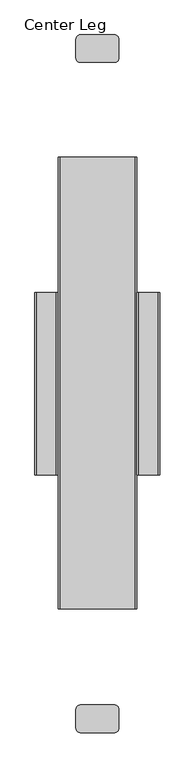
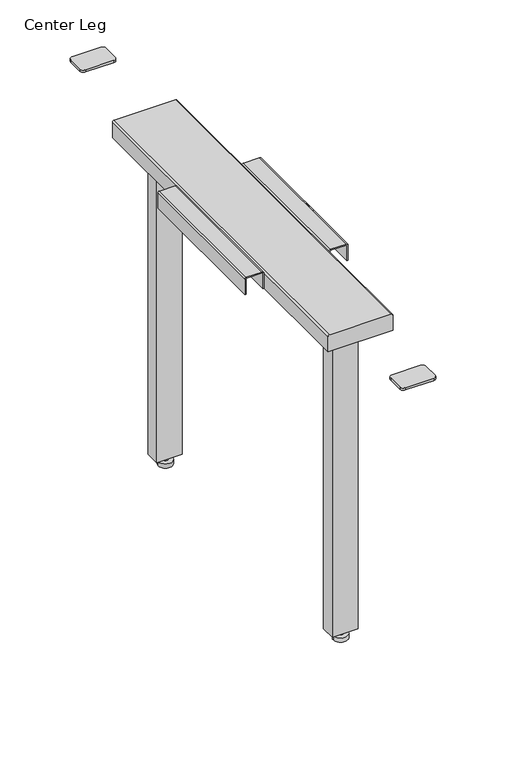
"""IFC4 building model written with IfcOpenShell, lengths in millimetres: furniture geometry, Center Leg."""

from ifc_helpers import new_model, si_unit, point, frame, frame_2d, origin, place, context, project, spatial, polyline, circle_curve, trimmed, segment, composite_curve, outline, extrude, source, transform, mapped, element, save
from ifc_brep_helpers import plane_surface, cylinder_surface, advanced_brep


def center_leg_26d61deb(model_context):
    return source(origin(), model_context, "Body", "SolidModel", [
        advanced_brep(
        [(14.1046216, 274.7629142, 0.0), (-14.3095597, 274.7629142, 0.0), (-0.102469, 274.7629142, 0.0), (14.1046216, 274.7629142, 8.4999997), (-14.3095597, 274.7629142, 8.4999997), (4.9219699, 274.7629142, 8.4999997), (-5.126908, 274.7629142, 8.4999997), (4.9219699, 274.7629142, 16.425781), (-5.126908, 274.7629142, 16.425781), (-0.102469, 274.7629142, 16.425781)],
        [
            (0, 1, circle_curve(frame((-0.102469, 274.7629142, 0.0), z_axis=(0.0, 0.0, -1.0), x_axis=(-1.0, 0.0, 0.0)), 14.2070907)),
            (1, 2),
            (2, 0),
            (1, 0, circle_curve(frame((-0.102469, 274.7629142, 0.0), z_axis=(0.0, 0.0, -1.0), x_axis=(-1.0, 0.0, 0.0)), 14.2070907)),
            (3, 4, circle_curve(frame((-0.102469, 274.7629142, 8.4999997), z_axis=(0.0, 0.0, -1.0), x_axis=(-1.0, 0.0, 0.0)), 14.2070907)),
            (4, 1),
            (0, 3),
            (4, 3, circle_curve(frame((-0.102469, 274.7629142, 8.4999997), z_axis=(0.0, 0.0, -1.0), x_axis=(-1.0, 0.0, 0.0)), 14.2070907)),
            (5, 6, circle_curve(frame((-0.102469, 274.7629142, 8.4999997), z_axis=(0.0, 0.0, -1.0), x_axis=(-1.0, 0.0, 0.0)), 5.024439)),
            (6, 4),
            (3, 5),
            (6, 5, circle_curve(frame((-0.102469, 274.7629142, 8.4999997), z_axis=(0.0, 0.0, -1.0), x_axis=(-1.0, 0.0, 0.0)), 5.024439)),
            (7, 8, circle_curve(frame((-0.102469, 274.7629142, 16.425781), z_axis=(0.0, 0.0, -1.0), x_axis=(-1.0, 0.0, 0.0)), 5.024439)),
            (8, 6),
            (5, 7),
            (8, 7, circle_curve(frame((-0.102469, 274.7629142, 16.425781), z_axis=(0.0, 0.0, -1.0), x_axis=(-1.0, 0.0, 0.0)), 5.024439)),
            (9, 8),
            (7, 9),
        ],
        [
            plane_surface(frame((-0.102469, 274.7629142, 0.0), z_axis=(0.0, 0.0, -1.0), x_axis=(-1.0, 0.0, 0.0))),
            cylinder_surface(frame((-0.102469, 274.7629142, 16.425781), z_axis=(0.0, 0.0, 1.0), x_axis=(-1.0, 0.0, 0.0)), 14.2070907),
            plane_surface(frame((-0.102469, 274.7629142, 8.4999997), z_axis=(0.0, 0.0, 1.0), x_axis=(-1.0, 0.0, 0.0))),
            cylinder_surface(frame((-0.102469, 274.7629142, 16.425781), z_axis=(0.0, 0.0, 1.0), x_axis=(-1.0, 0.0, 0.0)), 5.024439),
            plane_surface(frame((-0.102469, 274.7629142, 16.425781), z_axis=(0.0, 0.0, 1.0), x_axis=(-1.0, 0.0, 0.0))),
        ],
        [
            (0, [[1, 2, 3]]),
            (0, [[4, -3, -2]]),
            (1, [[5, 6, -1, 7]]),
            (1, [[8, -7, -4, -6]]),
            (2, [[9, 10, -5, 11]]),
            (2, [[12, -11, -8, -10]]),
            (3, [[13, 14, -9, 15]]),
            (3, [[16, -15, -12, -14]]),
            (4, [[17, -13, 18]]),
            (4, [[-18, -16, -17]]),
        ],
    ),
        advanced_brep(
        [(-0.102469, -324.7629142, 0.0), (-14.3095597, -324.7629142, 0.0), (14.1046216, -324.7629142, 0.0), (-14.3095597, -324.7629142, 8.4999997), (14.1046216, -324.7629142, 8.4999997), (-5.126908, -324.7629142, 8.4999997), (4.9219699, -324.7629142, 8.4999997), (-5.126908, -324.7629142, 16.425781), (4.9219699, -324.7629142, 16.425781), (-0.102469, -324.7629142, 16.425781)],
        [
            (0, 1),
            (1, 2, circle_curve(frame((-0.102469, -324.7629142, 0.0), z_axis=(0.0, 0.0, -1.0), x_axis=(-1.0, 0.0, 0.0)), 14.2070907)),
            (2, 0),
            (2, 1, circle_curve(frame((-0.102469, -324.7629142, 0.0), z_axis=(0.0, 0.0, -1.0), x_axis=(-1.0, 0.0, 0.0)), 14.2070907)),
            (1, 3),
            (3, 4, circle_curve(frame((-0.102469, -324.7629142, 8.4999997), z_axis=(0.0, 0.0, -1.0), x_axis=(-1.0, 0.0, 0.0)), 14.2070907)),
            (4, 2),
            (4, 3, circle_curve(frame((-0.102469, -324.7629142, 8.4999997), z_axis=(0.0, 0.0, -1.0), x_axis=(-1.0, 0.0, 0.0)), 14.2070907)),
            (3, 5),
            (5, 6, circle_curve(frame((-0.102469, -324.7629142, 8.4999997), z_axis=(0.0, 0.0, -1.0), x_axis=(-1.0, 0.0, 0.0)), 5.024439)),
            (6, 4),
            (6, 5, circle_curve(frame((-0.102469, -324.7629142, 8.4999997), z_axis=(0.0, 0.0, -1.0), x_axis=(-1.0, 0.0, 0.0)), 5.024439)),
            (5, 7),
            (7, 8, circle_curve(frame((-0.102469, -324.7629142, 16.425781), z_axis=(0.0, 0.0, -1.0), x_axis=(-1.0, 0.0, 0.0)), 5.024439)),
            (8, 6),
            (8, 7, circle_curve(frame((-0.102469, -324.7629142, 16.425781), z_axis=(0.0, 0.0, -1.0), x_axis=(-1.0, 0.0, 0.0)), 5.024439)),
            (7, 9),
            (9, 8),
        ],
        [
            plane_surface(frame((-0.102469, -324.7629142, 0.0), z_axis=(0.0, 0.0, -1.0), x_axis=(-1.0, 0.0, 0.0))),
            cylinder_surface(frame((-0.102469, -324.7629142, 16.425781), z_axis=(0.0, 0.0, -1.0), x_axis=(-1.0, 0.0, 0.0)), 14.2070907),
            plane_surface(frame((-0.102469, -324.7629142, 8.4999997), z_axis=(0.0, 0.0, 1.0), x_axis=(-1.0, 0.0, 0.0))),
            cylinder_surface(frame((-0.102469, -324.7629142, 16.425781), z_axis=(0.0, 0.0, -1.0), x_axis=(-1.0, 0.0, 0.0)), 5.024439),
            plane_surface(frame((-0.102469, -324.7629142, 16.425781), z_axis=(0.0, 0.0, 1.0), x_axis=(-1.0, 0.0, 0.0))),
        ],
        [
            (0, [[1, 2, 3]]),
            (0, [[-3, 4, -1]]),
            (1, [[-2, 5, 6, 7]]),
            (1, [[-4, -7, 8, -5]]),
            (2, [[-6, 9, 10, 11]]),
            (2, [[-8, -11, 12, -9]]),
            (3, [[-10, 13, 14, 15]]),
            (3, [[-12, -15, 16, -13]]),
            (4, [[-14, 17, 18]]),
            (4, [[-16, -18, -17]]),
        ],
    ),
        extrude(outline(composite_curve([segment(trimmed(circle_curve(frame_2d((28.0219183, 538.0338494)), 7.0), [point((28.0219183, 545.0338494))], [point((35.0219183, 538.0338494))], False, "CARTESIAN"), True, "CONTINUOUS"), segment(polyline([(35.0219183, 538.0338494), (35.0219183, 507.0338709)]), True, "CONTINUOUS"), segment(trimmed(circle_curve(frame_2d((28.0219183, 507.0338709)), 7.0), [point((35.0219183, 507.0338709))], [point((28.0219183, 500.0338709))], False, "CARTESIAN"), True, "CONTINUOUS"), segment(polyline([(28.0219183, 500.0338709), (-27.9780816, 500.0338709)]), True, "CONTINUOUS"), segment(trimmed(circle_curve(frame_2d((-27.9780816, 507.0338709)), 7.0), [point((-27.9780816, 500.0338709))], [point((-34.9780816, 507.0338709))], False, "CARTESIAN"), True, "CONTINUOUS"), segment(polyline([(-34.9780816, 507.0338709), (-34.9780816, 538.0338494)]), True, "CONTINUOUS"), segment(trimmed(circle_curve(frame_2d((-27.9780816, 538.0338494)), 7.0), [point((-34.9780816, 538.0338494))], [point((-27.9780816, 545.0338494))], False, "CARTESIAN"), True, "CONTINUOUS"), segment(polyline([(-27.9780816, 545.0338494), (28.0219183, 545.0338494)]), True, "CONTINUOUS")], self_intersect=False)), frame((0.0, 0.0, 690.4695046), z_axis=(0.0, 0.0, 1.0), x_axis=(1.0, 0.0, 0.0)), (0.0, 0.0, 1.0), 4.5304954),
        extrude(outline(composite_curve([segment(trimmed(circle_curve(frame_2d((28.0219183, -556.966138)), 7.0), [point((28.0219183, -549.966138))], [point((35.0219183, -556.966138))], False, "CARTESIAN"), True, "CONTINUOUS"), segment(polyline([(35.0219183, -556.966138), (35.0219183, -587.9661166)]), True, "CONTINUOUS"), segment(trimmed(circle_curve(frame_2d((28.0219183, -587.9661166)), 7.0), [point((35.0219183, -587.9661166))], [point((28.0219183, -594.9661166))], False, "CARTESIAN"), True, "CONTINUOUS"), segment(polyline([(28.0219183, -594.9661166), (-27.9780816, -594.9661166)]), True, "CONTINUOUS"), segment(trimmed(circle_curve(frame_2d((-27.9780816, -587.9661166)), 7.0), [point((-27.9780816, -594.9661166))], [point((-34.9780816, -587.9661166))], False, "CARTESIAN"), True, "CONTINUOUS"), segment(polyline([(-34.9780816, -587.9661166), (-34.9780816, -556.966138)]), True, "CONTINUOUS"), segment(trimmed(circle_curve(frame_2d((-27.9780816, -556.966138)), 7.0), [point((-34.9780816, -556.966138))], [point((-27.9780816, -549.966138))], False, "CARTESIAN"), True, "CONTINUOUS"), segment(polyline([(-27.9780816, -549.966138), (28.0219183, -549.966138)]), True, "CONTINUOUS")], self_intersect=False)), frame((0.0, 0.0, 690.4695046), z_axis=(0.0, 0.0, 1.0), x_axis=(1.0, 0.0, 0.0)), (0.0, 0.0, 1.0), 4.5304954),
        extrude(outline(polyline([(25.0258238, -309.9661438), (25.0258238, -340.194639), (-24.7280819, -340.194639), (-24.7280819, -309.9661438), (25.0258238, -309.9661438)])), frame((0.0, 0.0, 18.5008848), z_axis=(0.0, 0.0, 1.0), x_axis=(1.0, 0.0, 0.0)), (0.0, 0.0, 1.0), 641.4990185),
        extrude(outline(polyline([(25.0219178, 290.2643349), (25.0219178, 260.7838669), (-24.9780826, 260.7838669), (-24.9780826, 290.2643349), (25.0219178, 290.2643349)])), frame((0.0, 0.0, 18.5008848), z_axis=(0.0, 0.0, 1.0), x_axis=(1.0, 0.0, 0.0)), (0.0, 0.0, 1.0), 641.4990185),
        extrude(outline(composite_curve([segment(polyline([(659.9995333, -99.9780824), (691.9995539, -99.9780824)]), True, "CONTINUOUS"), segment(trimmed(circle_curve(frame_2d((691.9995539, -98.9780824)), 1.0), [point((691.9995539, -99.9780824))], [point((692.9995539, -98.9780824))], True, "CARTESIAN"), True, "CONTINUOUS"), segment(polyline([(692.9995539, -98.9780824), (692.9995539, -66.978082)]), True, "CONTINUOUS"), segment(trimmed(circle_curve(frame_2d((691.9995539, -66.978082)), 1.0), [point((692.9995539, -66.978082))], [point((691.9995539, -65.978082))], True, "CARTESIAN"), True, "CONTINUOUS"), segment(polyline([(691.9995539, -65.978082), (659.9995333, -65.978082), (659.9995333, -63.9780799), (691.4609094, -63.9780799)]), True, "CONTINUOUS"), segment(trimmed(circle_curve(frame_2d((691.4609094, -67.5171705)), 3.5390906), [point((691.4609094, -63.9780799))], [point((695.0, -67.5171705))], False, "CARTESIAN"), True, "CONTINUOUS"), segment(polyline([(695.0, -67.5171705), (695.0, -99.155619)]), True, "CONTINUOUS"), segment(trimmed(circle_curve(frame_2d((692.1775405, -99.155619)), 2.8224595), [point((695.0, -99.155619))], [point((692.1775405, -101.9780784))], False, "CARTESIAN"), True, "CONTINUOUS"), segment(polyline([(692.1775405, -101.9780784), (659.9995333, -101.9780784), (659.9995333, -99.9780824)]), True, "CONTINUOUS")], self_intersect=False)), frame((0.0, -173.7072561, 0.0), z_axis=(0.0, 1.0, 0.0), x_axis=(0.0, 0.0, 1.0)), (0.0, 0.0, 1.0), 297.4145122),
        extrude(outline(composite_curve([segment(polyline([(659.9995333, 100.0219222), (659.9995333, 102.0219182), (692.1775405, 102.0219182)]), True, "CONTINUOUS"), segment(trimmed(circle_curve(frame_2d((692.1775405, 99.1994587)), 2.8224595), [point((692.1775405, 102.0219182))], [point((695.0, 99.1994587))], False, "CARTESIAN"), True, "CONTINUOUS"), segment(polyline([(695.0, 99.1994587), (695.0, 67.5610102)]), True, "CONTINUOUS"), segment(trimmed(circle_curve(frame_2d((691.4609094, 67.5610102)), 3.5390906), [point((695.0, 67.5610102))], [point((691.4609094, 64.0219196))], False, "CARTESIAN"), True, "CONTINUOUS"), segment(polyline([(691.4609094, 64.0219196), (659.9995333, 64.0219196), (659.9995333, 66.0219217), (691.9995539, 66.0219217)]), True, "CONTINUOUS"), segment(trimmed(circle_curve(frame_2d((691.9995539, 67.0219217)), 1.0), [point((691.9995539, 66.0219217))], [point((692.9995539, 67.0219217))], True, "CARTESIAN"), True, "CONTINUOUS"), segment(polyline([(692.9995539, 67.0219217), (692.9995539, 99.0219222)]), True, "CONTINUOUS"), segment(trimmed(circle_curve(frame_2d((691.9995539, 99.0219222)), 1.0), [point((692.9995539, 99.0219222))], [point((691.9995539, 100.0219222))], True, "CARTESIAN"), True, "CONTINUOUS"), segment(polyline([(691.9995539, 100.0219222), (659.9995333, 100.0219222)]), True, "CONTINUOUS")], self_intersect=False)), frame((0.0, -173.7072561, 0.0), z_axis=(0.0, 1.0, 0.0), x_axis=(0.0, 0.0, 1.0)), (0.0, 0.0, 1.0), 297.4145122),
        extrude(outline(composite_curve([segment(polyline([(695.0, 60.6673423), (695.0, -60.6673423)]), True, "CONTINUOUS"), segment(trimmed(circle_curve(frame_2d((691.6892624, -60.6673423)), 3.3107376), [point((695.0, -60.6673423))], [point((691.6892624, -63.9780799))], False, "CARTESIAN"), True, "CONTINUOUS"), segment(polyline([(691.6892624, -63.9780799), (659.999976, -63.9780799), (659.999976, 64.0219196), (691.6454226, 64.0219196)]), True, "CONTINUOUS"), segment(trimmed(circle_curve(frame_2d((691.6454226, 60.6673423)), 3.3545774), [point((691.6454226, 64.0219196))], [point((695.0, 60.6673423))], False, "CARTESIAN"), True, "CONTINUOUS")], self_intersect=False)), frame((0.0, -392.9739505, 0.0), z_axis=(0.0, 1.0, 0.0), x_axis=(0.0, 0.0, 1.0)), (0.0, 0.0, 1.0), 738.0058594),
        extrude(outline(composite_curve([segment(polyline([(684.9999762, 101.9999968), (692.2639206, 101.9999968)]), True, "CONTINUOUS"), segment(trimmed(circle_curve(frame_2d((692.2639206, 99.2639174)), 2.7360794), [point((692.2639206, 101.9999968))], [point((695.0, 99.2639174))], False, "CARTESIAN"), True, "CONTINUOUS"), segment(polyline([(695.0, 99.2639174), (695.0, 67.4243659)]), True, "CONTINUOUS"), segment(trimmed(circle_curve(frame_2d((691.5717269, 67.4243659)), 3.4282731), [point((695.0, 67.4243659))], [point((691.5717269, 63.9960928))], False, "CARTESIAN"), True, "CONTINUOUS"), segment(polyline([(691.5717269, 63.9960928), (659.9999033, 63.9960928), (659.9999033, 66.0000003), (691.8821336, 66.0000003)]), True, "CONTINUOUS"), segment(trimmed(circle_curve(frame_2d((691.8821336, 67.1177906)), 1.1177903), [point((691.8821336, 66.0000003))], [point((692.9999239, 67.1177906))], True, "CARTESIAN"), True, "CONTINUOUS"), segment(polyline([(692.9999239, 67.1177906), (692.9999239, 99.3771905)]), True, "CONTINUOUS"), segment(trimmed(circle_curve(frame_2d((692.3771136, 99.3771905)), 0.6228103), [point((692.9999239, 99.3771905))], [point((692.3771136, 100.0000008))], True, "CARTESIAN"), True, "CONTINUOUS"), segment(polyline([(692.3771136, 100.0000008), (684.9999762, 100.0000008), (684.9999762, 101.9999968)]), True, "CONTINUOUS")], self_intersect=False)), frame((0.0, -173.7072561, 0.0), z_axis=(0.0, 1.0, 0.0), x_axis=(0.0, 0.0, 1.0)), (0.0, 0.0, 1.0), 297.4145122),
    ])


if __name__ == "__main__":
    model = new_model("IFC4")
    model_context = context("Model", 3, world=origin())
    ifc_project = project(units=[si_unit("LENGTHUNIT", "METRE", prefix="MILLI")], contexts=[model_context])
    site = spatial("IfcSite", under=ifc_project)
    building = spatial("IfcBuilding", under=site)
    placement = place(None, origin())
    center_leg_shape = center_leg_26d61deb(model_context)
    element("IfcFurniture", 1, ObjectType="Center Leg", at=placement, inside=building, context=model_context, shape_type="MappedRepresentation", body=[
        mapped(center_leg_shape, transform((0.0, 0.0, 0.0), x_axis=(1.0, 0.0, 0.0), y_axis=(0.0, 1.0, 0.0), z_axis=(0.0, 0.0, 1.0))),
    ])
    save(model, "model.ifc")
